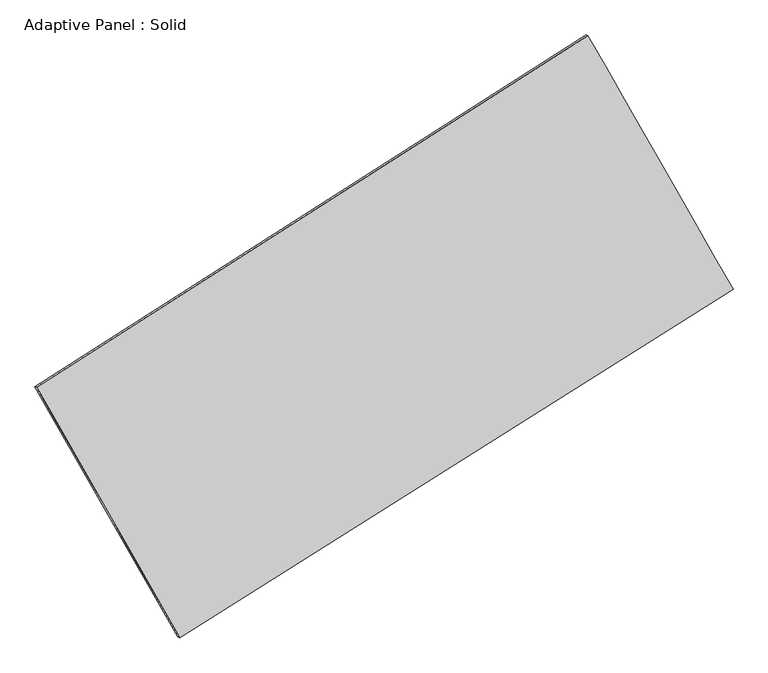
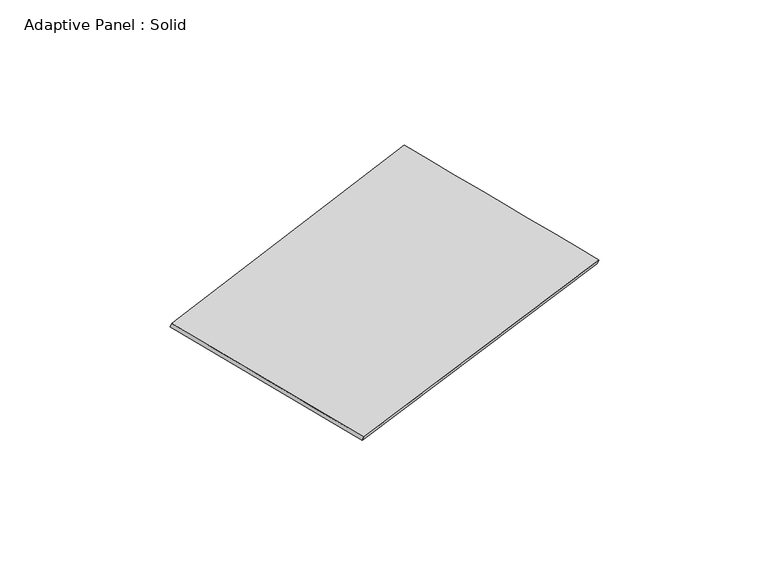
"""IFC4 building model written with IfcOpenShell, lengths in millimetres: plate geometry, Adaptive Panel : Solid."""

from ifc_helpers import new_model, si_unit, frame, origin, place, context, project, spatial, source, transform, mapped, element, save
from ifc_brep_helpers import plane_surface, spline_surface, advanced_brep


def adaptive_panel_solid_51276a20(model_context):
    return source(origin(), model_context, "Body", "AdvancedBrep", [
        advanced_brep(
        [(1149.1537098, 2567.5312204, 671.5958051), (-3724.1783262, -540.0742932, 1765.2237395), (-3709.5119703, -546.4543866, 1812.5966475), (1163.8200656, 2561.1511269, 718.9687131), (-2459.8961776, -2753.1401321, 1072.3355762), (-2445.2298218, -2759.5202256, 1119.7084842), (2431.6302159, 325.4346321, -24.0326005), (2446.2965717, 319.0545386, 23.3403075)],
        [
            (0, 1),
            (1, 2),
            (2, 3),
            (3, 0),
            (1, 4),
            (4, 5),
            (5, 2),
            (4, 6),
            (6, 7),
            (7, 5),
            (6, 0),
            (3, 7),
        ],
        [
            plane_surface(frame((-1287.5123082, 1013.7284636, 1218.4097723), z_axis=(-0.4768085973140508, 0.8394654995273435, 0.2606745799473272), x_axis=(-0.8284601840392207, -0.5282889441250379, 0.18591534357592257))),
            plane_surface(frame((-3092.0372519, -1646.6072126, 1418.7796578), z_axis=(-0.8273388282897594, -0.530469352538654, 0.18469631620947155), x_axis=(0.47866940785041967, -0.8378880583644116, -0.2623341373867395))),
            plane_surface(frame((-14.1329809, -1213.85275, 524.1514878), z_axis=(0.4720454605327543, -0.8424830167096579, -0.2596063361056784), x_axis=(0.8315042175477618, 0.5233229251038272, -0.18637020218119243))),
            plane_surface(frame((1790.3919628, 1446.4829262, 323.7816023), z_axis=(0.8273103378516102, 0.5305191920224103, -0.18468078346093209), x_axis=(-0.479429900768026, 0.8381659545149944, 0.26004769359009705))),
            spline_surface(1, 1, [[(-3709.5119703, -546.4543866, 1812.5966475), (1163.8200656, 2561.1511269, 718.9687131)], [(-2445.2298218, -2759.5202256, 1119.7084842), (2446.2965717, 319.0545386, 23.3403075)]], [2, 2], [2, 2], [0.0, 1.0], [0.0, 1.0]),
            spline_surface(1, 1, [[(2431.6302159, 325.4346321, -24.0326005), (1149.1537098, 2567.5312204, 671.5958051)], [(-2459.8961776, -2753.1401321, 1072.3355762), (-3724.1783262, -540.0742932, 1765.2237395)]], [2, 2], [2, 2], [0.0, 1.0], [0.0, 1.0]),
        ],
        [
            (0, [[1, 2, 3, 4]]),
            (1, [[5, 6, 7, -2]]),
            (2, [[8, 9, 10, -6]]),
            (3, [[11, -4, 12, -9]]),
            (4, [[-3, -7, -10, -12]]),
            (5, [[-11, -8, -5, -1]]),
        ],
    ),
    ])


if __name__ == "__main__":
    model = new_model("IFC4")
    model_context = context("Model", 3, world=origin())
    ifc_project = project(units=[si_unit("LENGTHUNIT", "METRE", prefix="MILLI")], contexts=[model_context])
    site = spatial("IfcSite", under=ifc_project)
    building = spatial("IfcBuilding", under=site)
    placement = place(None, origin())
    adaptive_panel_solid_shape = adaptive_panel_solid_51276a20(model_context)
    element("IfcPlate", 1, ObjectType="Adaptive Panel : Solid", at=placement, inside=building, context=model_context, shape_type="MappedRepresentation", body=[
        mapped(adaptive_panel_solid_shape, transform((0.0, 0.0, 0.0), x_axis=(1.0, 0.0, 0.0), y_axis=(0.0, 1.0, 0.0), z_axis=(0.0, 0.0, 1.0))),
    ])
    save(model, "model.ifc")
